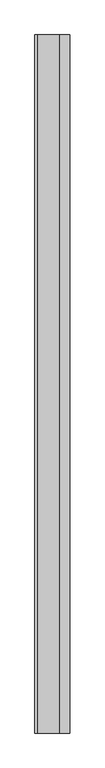
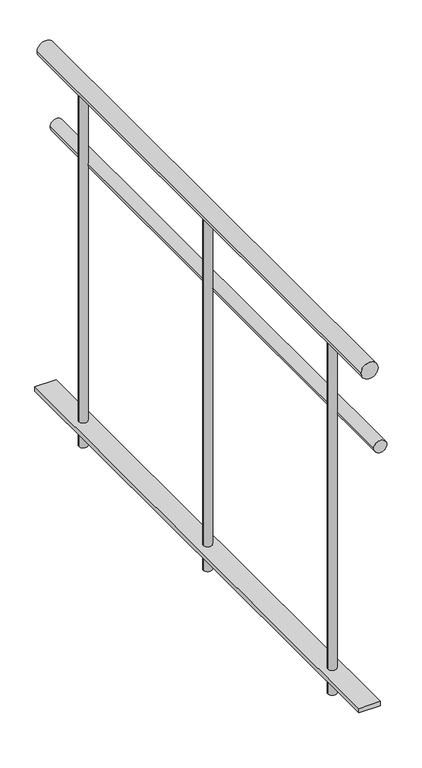
"""IFC4 building model written with IfcOpenShell, lengths in millimetres: railing geometry."""

import ifcopenshell
import ifcopenshell.guid

model = None  # the IFC model being written
_history = None  # IfcOwnerHistory: only IFC2X3 demands one
_inside = {}  # id of a spatial element -> (the spatial element, [elements in it])
_under = {}  # id of a project, library or spatial element -> (it, [spatial elements below it])
_declared = {}  # id of a project -> (the project, [libraries it declares])
_typed = {}  # id of a type object -> (the type object, [elements of that type])
_made_of = {}  # id of a material, layer set ... -> (it, [elements and type objects made of it])


def new_model(schema):
    """Start an empty IFC model of exactly this schema.

    Asked for "IFC4X3", IfcOpenShell would pick the latest addendum, in which some entities
    have other attributes; the version numbers below select the first issue.
    IFC2X3 requires an IfcOwnerHistory on every rooted entity: one is made here for all.
    """
    global model, _history
    if schema == "IFC4X3":
        model = ifcopenshell.file(schema_version=(4, 3, 0, 0))
    else:
        model = ifcopenshell.file(schema=schema)
    _inside.clear()
    _under.clear()
    _declared.clear()
    _typed.clear()
    _made_of.clear()
    _history = None
    if model.schema == "IFC2X3":
        org = make("IfcOrganization", Name="unknown")
        user = make(
            "IfcPersonAndOrganization",
            ThePerson=make("IfcPerson", FamilyName="unknown"),
            TheOrganization=org,
        )
        app = make(
            "IfcApplication",
            ApplicationDeveloper=org,
            Version="unknown",
            ApplicationFullName="unknown",
            ApplicationIdentifier="unknown",
        )
        _history = make(
            "IfcOwnerHistory",
            OwningUser=user,
            OwningApplication=app,
            ChangeAction="ADDED",
            CreationDate=0,
        )
    return model


def make(cls, **values):
    """One entity of the class cls with the attributes given. An attribute that is None is left unset."""
    return model.create_entity(
        cls, **{name: value for name, value in values.items() if value is not None}
    )


def rooted(cls, **values):
    """An entity with a GlobalId (a new one), such as an element, a storey or a relation."""
    return make(cls, GlobalId=ifcopenshell.guid.new(), OwnerHistory=_history, **values)


def si_unit(unit_type, name, prefix=None):
    """IfcSIUnit, for example si_unit("LENGTHUNIT", "METRE", prefix="MILLI")."""
    return make("IfcSIUnit", UnitType=unit_type, Prefix=prefix, Name=name)


def assignment(units):
    """IfcUnitAssignment: the units of a project."""
    return None if units is None else make("IfcUnitAssignment", Units=units)


def point(xyz):
    """IfcCartesianPoint."""
    return None if xyz is None else make("IfcCartesianPoint", Coordinates=xyz)


def direction(xyz):
    """IfcDirection."""
    return None if xyz is None else make("IfcDirection", DirectionRatios=xyz)


def frame(location, z_axis=None, x_axis=None):
    """IfcAxis2Placement3D, a coordinate frame: its origin and axes. An axis left out is left unset."""
    return make(
        "IfcAxis2Placement3D",
        Location=point(location),
        Axis=direction(z_axis),
        RefDirection=direction(x_axis),
    )


def frame_2d(location, x_axis=None):
    """IfcAxis2Placement2D, a coordinate frame in the plane: its origin and x axis."""
    return make(
        "IfcAxis2Placement2D", Location=point(location), RefDirection=direction(x_axis)
    )


def origin():
    """The frame at (0, 0, 0) with its axes left unset."""
    return frame((0.0, 0.0, 0.0))


def origin_with_axes():
    """The frame at (0, 0, 0) with the z axis (0, 0, 1) and the x axis (1, 0, 0) written out."""
    return frame((0.0, 0.0, 0.0), z_axis=(0.0, 0.0, 1.0), x_axis=(1.0, 0.0, 0.0))


def place(relative_to, where):
    """IfcLocalPlacement: puts the frame where relative to a parent placement (None: the world)."""
    return make(
        "IfcLocalPlacement", PlacementRelTo=relative_to, RelativePlacement=where
    )


def context(
    kind, dimensions, precision=None, world=None, true_north=None, identifier=None
):
    """IfcGeometricRepresentationContext, for example the 3D "Model" context."""
    return make(
        "IfcGeometricRepresentationContext",
        ContextIdentifier=identifier,
        ContextType=kind,
        CoordinateSpaceDimension=dimensions,
        Precision=precision,
        WorldCoordinateSystem=world,
        TrueNorth=true_north,
    )


def project(units=None, contexts=None):
    """IfcProject with its units and contexts."""
    return rooted(
        "IfcProject",
        Name="project",
        RepresentationContexts=contexts,
        UnitsInContext=assignment(units),
    )


def spatial(cls, under=None, at=None, **own):
    """A site, building, storey or space (cls), placed at a placement, below another one or the project."""
    s = rooted(cls, ObjectPlacement=at, **own)
    if under is not None:
        _under.setdefault(under.id(), (under, []))[1].append(s)
    return s


def polyline(points):
    """IfcPolyline through the points."""
    return make("IfcPolyline", Points=[point(p) for p in points])


def circle_curve(where, radius):
    """IfcCircle in the frame where."""
    return make("IfcCircle", Position=where, Radius=radius)


def trimmed(basis, trim1, trim2, sense, master):
    """IfcTrimmedCurve: the piece of a basis curve between two trims."""
    return make(
        "IfcTrimmedCurve",
        BasisCurve=basis,
        Trim1=trim1,
        Trim2=trim2,
        SenseAgreement=sense,
        MasterRepresentation=master,
    )


def segment(curve, same_sense, transition):
    """IfcCompositeCurveSegment."""
    return make(
        "IfcCompositeCurveSegment",
        Transition=transition,
        SameSense=same_sense,
        ParentCurve=curve,
    )


def composite_curve(segments, self_intersect=None):
    """IfcCompositeCurve: segments joined end to end."""
    return make("IfcCompositeCurve", Segments=segments, SelfIntersect=self_intersect)


def outline(outer, holes=None, kind="AREA"):
    """IfcArbitraryClosedProfileDef: a profile drawn as a closed curve; with holes, ...WithVoids."""
    if holes is None:
        return make("IfcArbitraryClosedProfileDef", ProfileType=kind, OuterCurve=outer)
    return make(
        "IfcArbitraryProfileDefWithVoids",
        ProfileType=kind,
        OuterCurve=outer,
        InnerCurves=holes,
    )


def extrude(swept, where, along, depth):
    """IfcExtrudedAreaSolid: the profile swept, set in the frame where, extruded along a direction by depth."""
    return make(
        "IfcExtrudedAreaSolid",
        SweptArea=swept,
        Position=where,
        ExtrudedDirection=direction(along),
        Depth=depth,
    )


def shape(context_of_items, identifier, shape_type, items):
    """IfcShapeRepresentation: the items that make up one representation, for example the "Body"."""
    return make(
        "IfcShapeRepresentation",
        ContextOfItems=context_of_items,
        RepresentationIdentifier=identifier,
        RepresentationType=shape_type,
        Items=items,
    )


def source(mapping_origin, context_of_items, identifier, shape_type, items):
    """IfcRepresentationMap: a shape defined once, which mapped items show again and again."""
    return make(
        "IfcRepresentationMap",
        MappingOrigin=mapping_origin,
        MappedRepresentation=shape(context_of_items, identifier, shape_type, items),
    )


def transform(
    local_origin,
    x_axis=None,
    y_axis=None,
    z_axis=None,
    scale=None,
    scale2=None,
    scale3=None,
    uniform=True,
):
    """IfcCartesianTransformationOperator3D, or its non-uniform kind. x_axis, y_axis, z_axis: its Axis1, 2, 3."""
    if uniform:
        return make(
            "IfcCartesianTransformationOperator3D",
            Axis1=direction(x_axis),
            Axis2=direction(y_axis),
            LocalOrigin=point(local_origin),
            Scale=scale,
            Axis3=direction(z_axis),
        )
    return make(
        "IfcCartesianTransformationOperator3DnonUniform",
        Axis1=direction(x_axis),
        Axis2=direction(y_axis),
        LocalOrigin=point(local_origin),
        Scale=scale,
        Axis3=direction(z_axis),
        Scale2=scale2,
        Scale3=scale3,
    )


def mapped(mapping_source, mapping_target):
    """IfcMappedItem: shows the shape of a source again, moved by a transform."""
    return make(
        "IfcMappedItem", MappingSource=mapping_source, MappingTarget=mapping_target
    )


def made_of(thing, what):
    """Note that an element or type object is made of a material, layer set ...; save() writes the relation."""
    if what is not None:
        _made_of.setdefault(what.id(), (what, []))[1].append(thing)
    return thing


def element(
    cls,
    number,
    at=None,
    inside=None,
    cuts=None,
    type_object=None,
    material=None,
    context=None,
    identifier="Body",
    shape_type=None,
    held_by="IfcProductDefinitionShape",
    body=None,
    shapes=None,
    **own,
):
    """One element of the class cls, such as IfcWall. Its Tag is "e" and its number.

    at: its placement. inside: the storey or other place that contains it. cuts: it is an
    opening in that element (IfcRelVoidsElement). A single representation is given by context,
    identifier, shape_type and body (its items); several are given by shapes. held_by: the class
    of the entity that holds the representations. save() writes the other relations.
    """
    e = rooted(cls, Tag="e%d" % number, ObjectPlacement=at, **own)
    if body is not None:
        shapes = [shape(context, identifier, shape_type, body)]
    if shapes is not None:
        e.Representation = make(held_by, Representations=shapes)
    if inside is not None:
        _inside.setdefault(inside.id(), (inside, []))[1].append(e)
    if cuts is not None:
        rooted(
            "IfcRelVoidsElement", RelatingBuildingElement=cuts, RelatedOpeningElement=e
        )
    if type_object is not None:
        _typed.setdefault(type_object.id(), (type_object, []))[1].append(e)
    return made_of(e, material)


def aggregate(whole, parts):
    """IfcRelAggregates: a whole, such as a stair, and the parts it consists of."""
    return rooted("IfcRelAggregates", RelatingObject=whole, RelatedObjects=parts)


def save(model, path):
    """Write the relations noted so far, then the file.

    IfcRelAggregates (storeys below a building ...), IfcRelContainedInSpatialStructure (elements
    in a storey), IfcRelDefinesByType, IfcRelAssociatesMaterial and IfcRelDeclares: one each for
    every whole, place, type object, material and project.
    """
    for whole, parts in _under.values():
        aggregate(whole, parts)
    for where, things in _inside.values():
        rooted(
            "IfcRelContainedInSpatialStructure",
            RelatedElements=things,
            RelatingStructure=where,
        )
    for kind, things in _typed.values():
        rooted("IfcRelDefinesByType", RelatedObjects=things, RelatingType=kind)
    for what, things in _made_of.values():
        rooted("IfcRelAssociatesMaterial", RelatedObjects=things, RelatingMaterial=what)
    for by, libraries in _declared.values():
        rooted("IfcRelDeclares", RelatingContext=by, RelatedDefinitions=libraries)
    model.write(path)


def railing_7da0b0e4(model_context):
    return source(origin(), model_context, "Body", "SweptSolid", [
        extrude(outline(composite_curve([segment(trimmed(circle_curve(frame_2d((880.0, 983.4242865)), 20.0), [point((880.0, 963.4242865))], [point((880.0, 1003.4242865))], False, "CARTESIAN"), True, "CONTINUOUS"), segment(trimmed(circle_curve(frame_2d((880.0, 983.4242865)), 20.0), [point((880.0, 1003.4242865))], [point((880.0, 963.4242865))], False, "CARTESIAN"), True, "CONTINUOUS")], self_intersect=False)), frame((0.0, -6504.6478389, 0.0), z_axis=(0.0, 1.0, 0.0), x_axis=(0.0, 0.0, 1.0)), (0.0, 0.0, 1.0), 1300.0),
        extrude(outline(composite_curve([segment(trimmed(circle_curve(frame_2d((685.0, 1008.4242865)), 15.0), [point((685.0, 993.4242865))], [point((685.0, 1023.4242865))], False, "CARTESIAN"), True, "CONTINUOUS"), segment(trimmed(circle_curve(frame_2d((685.0, 1008.4242865)), 15.0), [point((685.0, 1023.4242865))], [point((685.0, 993.4242865))], False, "CARTESIAN"), True, "CONTINUOUS")], self_intersect=False)), frame((0.0, -6504.6478389, 0.0), z_axis=(0.0, 1.0, 0.0), x_axis=(0.0, 0.0, 1.0)), (0.0, 0.0, 1.0), 1300.0),
        extrude(outline(polyline([(1008.4242865, -6504.6478389), (958.4242865, -6504.6478389), (958.4242865, -5204.6478389), (1008.4242865, -5204.6478389), (1008.4242865, -6504.6478389)])), frame((0.0, 0.0, 50.0), z_axis=(0.0, 0.0, 1.0), x_axis=(1.0, 0.0, 0.0)), (0.0, 0.0, 1.0), 10.0),
        extrude(outline(composite_curve([segment(trimmed(circle_curve(frame_2d((983.4242865, -5354.6478389)), 10.0), [point((973.4242865, -5354.6478389))], [point((993.4242865, -5354.6478389))], False, "CARTESIAN"), True, "CONTINUOUS"), segment(trimmed(circle_curve(frame_2d((983.4242865, -5354.6478389)), 10.0), [point((993.4242865, -5354.6478389))], [point((973.4242865, -5354.6478389))], False, "CARTESIAN"), True, "CONTINUOUS")], self_intersect=False)), origin_with_axes(), (0.0, 0.0, 1.0), 860.0),
        extrude(outline(composite_curve([segment(trimmed(circle_curve(frame_2d((983.4242865, -5854.6478389)), 10.0), [point((973.4242865, -5854.6478389))], [point((993.4242865, -5854.6478389))], False, "CARTESIAN"), True, "CONTINUOUS"), segment(trimmed(circle_curve(frame_2d((983.4242865, -5854.6478389)), 10.0), [point((993.4242865, -5854.6478389))], [point((973.4242865, -5854.6478389))], False, "CARTESIAN"), True, "CONTINUOUS")], self_intersect=False)), origin_with_axes(), (0.0, 0.0, 1.0), 860.0),
        extrude(outline(composite_curve([segment(trimmed(circle_curve(frame_2d((983.4242865, -6354.6478389)), 10.0), [point((973.4242865, -6354.6478389))], [point((993.4242865, -6354.6478389))], False, "CARTESIAN"), True, "CONTINUOUS"), segment(trimmed(circle_curve(frame_2d((983.4242865, -6354.6478389)), 10.0), [point((993.4242865, -6354.6478389))], [point((973.4242865, -6354.6478389))], False, "CARTESIAN"), True, "CONTINUOUS")], self_intersect=False)), origin_with_axes(), (0.0, 0.0, 1.0), 860.0),
    ])


if __name__ == "__main__":
    model = new_model("IFC4")
    model_context = context("Model", 3, world=origin())
    ifc_project = project(units=[si_unit("LENGTHUNIT", "METRE", prefix="MILLI")], contexts=[model_context])
    site = spatial("IfcSite", under=ifc_project)
    building = spatial("IfcBuilding", under=site)
    placement = place(None, origin())
    railing_shape = railing_7da0b0e4(model_context)
    element("IfcRailing", 1, at=placement, inside=building, context=model_context, shape_type="MappedRepresentation", body=[
        mapped(railing_shape, transform((0.0, 0.0, 0.0), x_axis=(1.0, 0.0, 0.0), y_axis=(0.0, 1.0, 0.0), z_axis=(0.0, 0.0, 1.0))),
    ])
    save(model, "model.ifc")
